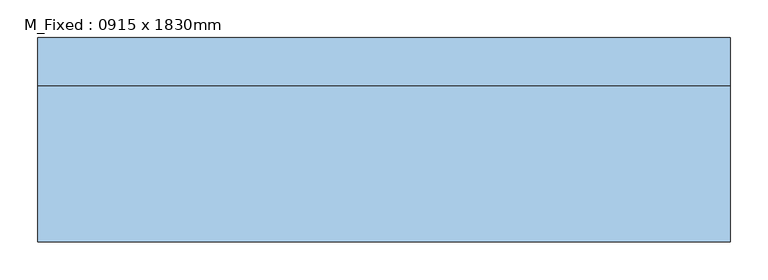
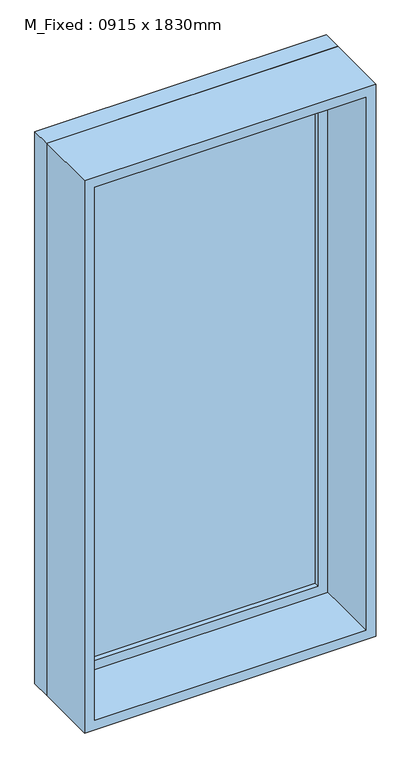
"""IFC4 building model written with IfcOpenShell, lengths in millimetres: window geometry, M_Fixed : 0915 x 1830mm."""

from ifc_helpers import new_model, si_unit, frame, origin, place, context, project, spatial, polyline, outline, extrude, source, transform, mapped, element, save


def m_fixed_0915_x_1830mm_3c358175(model_context):
    return source(origin(), model_context, "Body", "SweptSolid", [
        extrude(outline(polyline([(-394.5, 113.0), (394.5, 113.0), (394.5, 101.0), (-394.5, 101.0), (-394.5, 113.0)])), frame((0.0, 0.0, 368.0), z_axis=(0.0, 0.0, 1.0), x_axis=(1.0, 0.0, 0.0)), (0.0, 0.0, 1.0), 1704.0),
        extrude(outline(polyline([(2116.0, -438.5), (324.0, -438.5), (324.0, 438.5), (2116.0, 438.5), (2116.0, -438.5)]), holes=[polyline([(2072.0, -394.5), (2072.0, 394.5), (368.0, 394.5), (368.0, -394.5), (2072.0, -394.5)])]), frame((0.0, 85.0, 0.0), z_axis=(0.0, 1.0, 0.0), x_axis=(0.0, 0.0, 1.0)), (0.0, 0.0, 1.0), 44.0),
        extrude(outline(polyline([(2135.0, -457.5), (305.0, -457.5), (305.0, 457.5), (2135.0, 457.5), (2135.0, -457.5)]), holes=[polyline([(2116.0, -438.5), (2116.0, 438.5), (324.0, 438.5), (324.0, -438.5), (2116.0, -438.5)])]), frame((0.0, 85.0, 0.0), z_axis=(0.0, 1.0, 0.0), x_axis=(0.0, 0.0, 1.0)), (0.0, 0.0, 1.0), 63.0),
        extrude(outline(polyline([(2135.0, -457.5), (305.0, -457.5), (305.0, 457.5), (2135.0, 457.5), (2135.0, -457.5)]), holes=[polyline([(2103.0, -425.5), (2103.0, 425.5), (337.0, 425.5), (337.0, -425.5), (2103.0, -425.5)])]), frame((0.0, -122.0, 0.0), z_axis=(0.0, 1.0, 0.0), x_axis=(0.0, 0.0, 1.0)), (0.0, 0.0, 1.0), 207.0),
    ])


if __name__ == "__main__":
    model = new_model("IFC4")
    model_context = context("Model", 3, world=origin())
    ifc_project = project(units=[si_unit("LENGTHUNIT", "METRE", prefix="MILLI")], contexts=[model_context])
    site = spatial("IfcSite", under=ifc_project)
    building = spatial("IfcBuilding", under=site)
    placement = place(None, origin())
    m_fixed_0915_x_1830mm_shape = m_fixed_0915_x_1830mm_3c358175(model_context)
    element("IfcWindow", 1, ObjectType="M_Fixed : 0915 x 1830mm", at=placement, inside=building, context=model_context, shape_type="MappedRepresentation", body=[
        mapped(m_fixed_0915_x_1830mm_shape, transform((0.0, 0.0, 0.0), x_axis=(1.0, 0.0, 0.0), y_axis=(0.0, 1.0, 0.0), z_axis=(0.0, 0.0, 1.0))),
    ])
    save(model, "model.ifc")
